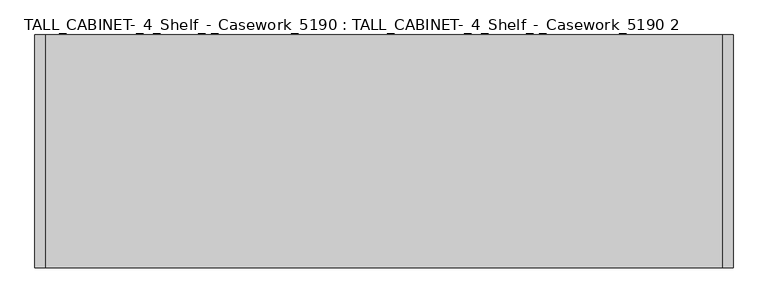
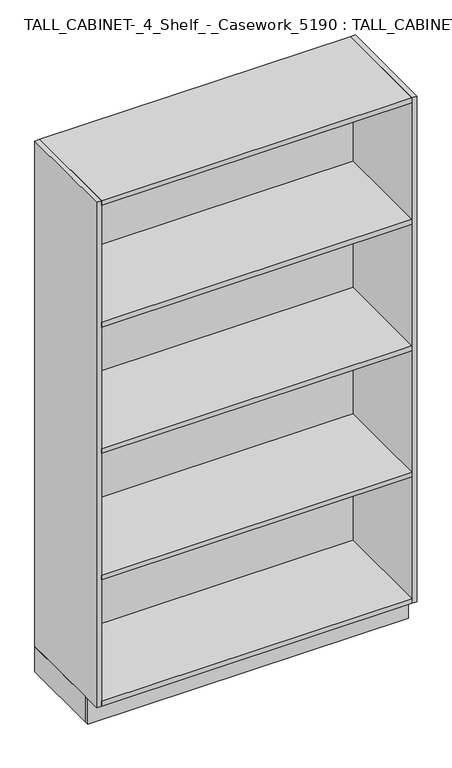
"""IFC4 building model written with IfcOpenShell, lengths in millimetres: furniture geometry, TALL_CABINET-_4_Shelf_-_Casework_5190 : TALL_CABINET-_4_Shelf_-_Casework_5190 2."""

from ifc_helpers import new_model, si_unit, frame, origin, origin_with_axes, place, context, project, spatial, polyline, outline, extrude, source, transform, mapped, element, save


def tall_cabinet_4_shelf_casework_5190_tall_cabinet_4_shelf_0d42bc4d(model_context):
    return source(origin(), model_context, "Body", "SweptSolid", [
        extrude(outline(polyline([(484.790969, -330.2), (484.790969, 0.0), (503.840969, 0.0), (503.840969, -330.2), (484.790969, -330.2)])), origin_with_axes(), (0.0, 0.0, 1.0), 101.6),
        extrude(outline(polyline([(-715.359031, -330.2), (-715.359031, 0.0), (-696.309031, 0.0), (-696.309031, -330.2), (-715.359031, -330.2)])), origin_with_axes(), (0.0, 0.0, 1.0), 101.6),
        extrude(outline(polyline([(484.790969, -19.05), (484.790969, -406.4), (-696.309031, -406.4), (-696.309031, -19.05), (484.790969, -19.05)])), frame((0.0, 0.0, 1625.6), z_axis=(0.0, 0.0, 1.0), x_axis=(1.0, 0.0, 0.0)), (0.0, 0.0, 1.0), 19.05),
        extrude(outline(polyline([(484.790969, -19.05), (484.790969, -406.4), (-696.309031, -406.4), (-696.309031, -19.05), (484.790969, -19.05)])), frame((0.0, 0.0, 1117.6), z_axis=(0.0, 0.0, 1.0), x_axis=(1.0, 0.0, 0.0)), (0.0, 0.0, 1.0), 19.05),
        extrude(outline(polyline([(484.790969, -19.05), (484.790969, -406.4), (-696.309031, -406.4), (-696.309031, -19.05), (484.790969, -19.05)])), frame((0.0, 0.0, 609.6), z_axis=(0.0, 0.0, 1.0), x_axis=(1.0, 0.0, 0.0)), (0.0, 0.0, 1.0), 19.05),
        extrude(outline(polyline([(484.790969, -19.05), (484.790969, -406.4), (-696.309031, -406.4), (-696.309031, -19.05), (484.790969, -19.05)])), frame((0.0, 0.0, 101.6), z_axis=(0.0, 0.0, 1.0), x_axis=(1.0, 0.0, 0.0)), (0.0, 0.0, 1.0), 19.05),
        extrude(outline(polyline([(484.790969, -19.05), (-696.309031, -19.05), (-696.309031, 0.0), (484.790969, 0.0), (484.790969, -19.05)])), origin_with_axes(), (0.0, 0.0, 1.0), 2114.55),
        extrude(outline(polyline([(484.790969, 0.0), (484.790969, -406.4), (-696.309031, -406.4), (-696.309031, 0.0), (484.790969, 0.0)])), frame((0.0, 0.0, 2114.55), z_axis=(0.0, 0.0, 1.0), x_axis=(1.0, 0.0, 0.0)), (0.0, 0.0, 1.0), 19.05),
        extrude(outline(polyline([(484.790969, -406.4), (484.790969, 0.0), (503.840969, 0.0), (503.840969, -406.4), (484.790969, -406.4)])), frame((0.0, 0.0, 101.6), z_axis=(0.0, 0.0, 1.0), x_axis=(1.0, 0.0, 0.0)), (0.0, 0.0, 1.0), 2032.0),
        extrude(outline(polyline([(-715.359031, -406.4), (-715.359031, 0.0), (-696.309031, 0.0), (-696.309031, -406.4), (-715.359031, -406.4)])), frame((0.0, 0.0, 101.6), z_axis=(0.0, 0.0, 1.0), x_axis=(1.0, 0.0, 0.0)), (0.0, 0.0, 1.0), 2032.0),
        extrude(outline(polyline([(-715.359031, -349.25), (-715.359031, -330.2), (503.840969, -330.2), (503.840969, -349.25), (-715.359031, -349.25)])), origin_with_axes(), (0.0, 0.0, 1.0), 101.6),
    ])


if __name__ == "__main__":
    model = new_model("IFC4")
    model_context = context("Model", 3, world=origin())
    ifc_project = project(units=[si_unit("LENGTHUNIT", "METRE", prefix="MILLI")], contexts=[model_context])
    site = spatial("IfcSite", under=ifc_project)
    building = spatial("IfcBuilding", under=site)
    placement = place(None, origin())
    tall_cabinet_4_shelf_casework_5190_tall_cabinet_4_shelf_shape = tall_cabinet_4_shelf_casework_5190_tall_cabinet_4_shelf_0d42bc4d(model_context)
    element("IfcFurniture", 1, ObjectType="TALL_CABINET-_4_Shelf_-_Casework_5190 : TALL_CABINET-_4_Shelf_-_Casework_5190 2", at=placement, inside=building, context=model_context, shape_type="MappedRepresentation", body=[
        mapped(tall_cabinet_4_shelf_casework_5190_tall_cabinet_4_shelf_shape, transform((0.0, 0.0, 0.0), x_axis=(1.0, 0.0, 0.0), y_axis=(0.0, 1.0, 0.0), z_axis=(0.0, 0.0, 1.0))),
    ])
    save(model, "model.ifc")
